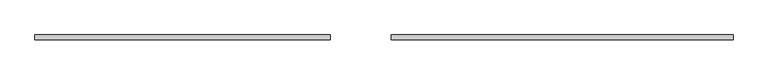
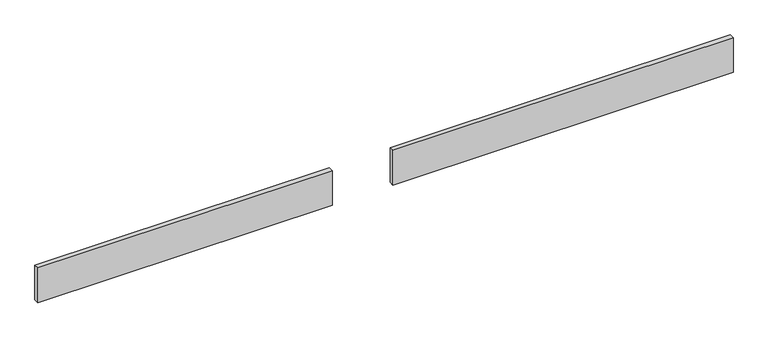
"""IFC4 building model written with IfcOpenShell, lengths in millimetres: plate geometry."""

from ifc_helpers import new_model, si_unit, origin, origin_with_axes, place, context, project, spatial, polyline, outline, extrude, source, transform, mapped, element, save


def plate_cbc0ec63(model_context):
    return source(origin(), model_context, "Body", "SweptSolid", [
        extrude(outline(polyline([(1421.6666667, 20.0), (30.3429965, 20.0), (30.3429965, 40.0), (1421.6666667, 40.0), (1421.6666667, 20.0)])), origin_with_axes(), (0.0, 0.0, 1.0), 150.0),
        extrude(outline(polyline([(-218.3729008, 20.0), (-1421.6666667, 20.0), (-1421.6666667, 40.0), (-218.3729008, 40.0), (-218.3729008, 20.0)])), origin_with_axes(), (0.0, 0.0, 1.0), 150.0),
    ])


if __name__ == "__main__":
    model = new_model("IFC4")
    model_context = context("Model", 3, world=origin())
    ifc_project = project(units=[si_unit("LENGTHUNIT", "METRE", prefix="MILLI")], contexts=[model_context])
    site = spatial("IfcSite", under=ifc_project)
    building = spatial("IfcBuilding", under=site)
    placement = place(None, origin())
    plate_shape = plate_cbc0ec63(model_context)
    element("IfcPlate", 1, at=placement, inside=building, context=model_context, shape_type="MappedRepresentation", body=[
        mapped(plate_shape, transform((0.0, 0.0, 0.0), x_axis=(1.0, 0.0, 0.0), y_axis=(0.0, 1.0, 0.0), z_axis=(0.0, 0.0, 1.0))),
    ])
    save(model, "model.ifc")
